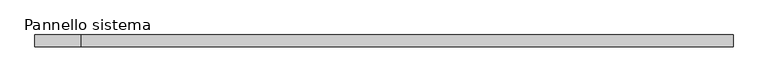
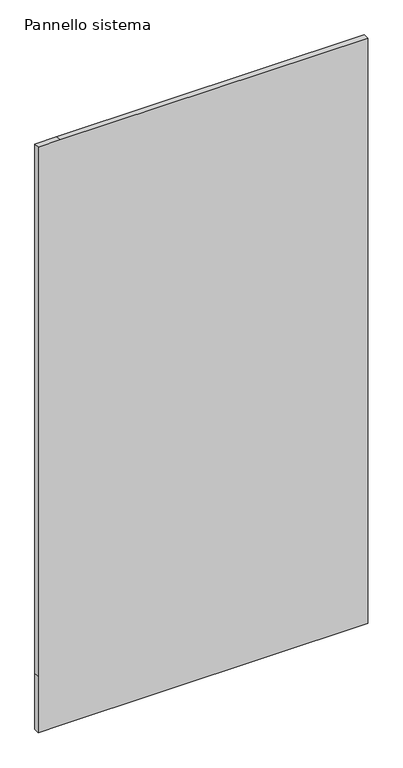
"""IFC4 building model written with IfcOpenShell, lengths in millimetres: plate geometry, Pannello sistema."""

from ifc_helpers import new_model, si_unit, frame, origin, place, context, project, spatial, polyline, outline, extrude, source, transform, mapped, element, save


def pannello_sistema_ab428f17(model_context):
    return source(origin(), model_context, "Body", "SweptSolid", [
        extrude(outline(polyline([(0.0, -750.0873672), (0.0, -650.0), (0.0, 750.0873672), (270.0, 750.0873672), (2820.0, 750.0873672), (2820.0, -650.0), (2820.0, -750.0873672), (270.0, -750.0873672), (0.0, -750.0873672)])), frame((0.0, -12.5, 0.0), z_axis=(0.0, 1.0, 0.0), x_axis=(0.0, 0.0, 1.0)), (0.0, 0.0, 1.0), 25.0),
    ])


if __name__ == "__main__":
    model = new_model("IFC4")
    model_context = context("Model", 3, world=origin())
    ifc_project = project(units=[si_unit("LENGTHUNIT", "METRE", prefix="MILLI")], contexts=[model_context])
    site = spatial("IfcSite", under=ifc_project)
    building = spatial("IfcBuilding", under=site)
    placement = place(None, origin())
    pannello_sistema_shape = pannello_sistema_ab428f17(model_context)
    element("IfcPlate", 1, ObjectType="Pannello sistema", at=placement, inside=building, context=model_context, shape_type="MappedRepresentation", body=[
        mapped(pannello_sistema_shape, transform((0.0, 0.0, 0.0), x_axis=(1.0, 0.0, 0.0), y_axis=(0.0, 1.0, 0.0), z_axis=(0.0, 0.0, 1.0))),
    ])
    save(model, "model.ifc")
